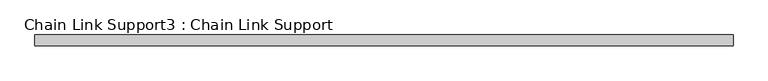
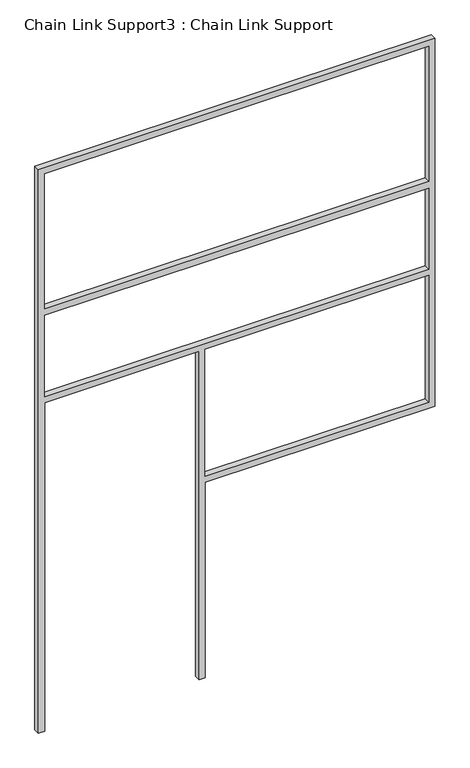
"""IFC4 building model written with IfcOpenShell, lengths in millimetres: proxy geometry, Chain Link Support3 : Chain Link Support."""

from ifc_helpers import new_model, si_unit, frame, origin, place, context, project, spatial, polyline, outline, extrude, source, transform, mapped, element, save


def chain_link_support3_chain_link_support_39234f15(model_context):
    return source(origin(), model_context, "Body", "SweptSolid", [
        extrude(outline(polyline([(3657.6, -24439.9368371), (0.0, -24439.9368371), (0.0, -24401.8368371), (2133.6, -24401.8368371), (2133.6, -23452.5118371), (0.0, -23452.5118371), (0.0, -23414.4118371), (1270.0, -23414.4118371), (1270.0, -22001.5368371), (3657.6, -22001.5368371), (3657.6, -24439.9368371)]), holes=[polyline([(2743.2, -24401.8368371), (3619.5, -24401.8368371), (3619.5, -22039.6368371), (2743.2, -22039.6368371), (2743.2, -24401.8368371)]), polyline([(1308.1, -22039.6368371), (1308.1, -23414.4118371), (2133.6, -23414.4118371), (2133.6, -22039.6368371), (1308.1, -22039.6368371)]), polyline([(2171.7, -24401.8368371), (2698.75, -24401.8368371), (2698.75, -22039.6368371), (2171.7, -22039.6368371), (2171.7, -24401.8368371)])]), frame((0.0, 17069.4163978, 0.0), z_axis=(0.0, 1.0, 0.0), x_axis=(0.0, 0.0, 1.0)), (0.0, 0.0, 1.0), 38.1),
    ])


if __name__ == "__main__":
    model = new_model("IFC4")
    model_context = context("Model", 3, world=origin())
    ifc_project = project(units=[si_unit("LENGTHUNIT", "METRE", prefix="MILLI")], contexts=[model_context])
    site = spatial("IfcSite", under=ifc_project)
    building = spatial("IfcBuilding", under=site)
    placement = place(None, origin())
    chain_link_support3_chain_link_support_shape = chain_link_support3_chain_link_support_39234f15(model_context)
    element("IfcBuildingElementProxy", 1, Name="Chain Link Support3 : Chain Link Support", ObjectType="Chain Link Support3 : Chain Link Support", at=placement, inside=building, context=model_context, shape_type="MappedRepresentation", body=[
        mapped(chain_link_support3_chain_link_support_shape, transform((0.0, 0.0, 0.0), x_axis=(1.0, 0.0, 0.0), y_axis=(0.0, 1.0, 0.0), z_axis=(0.0, 0.0, 1.0))),
    ])
    save(model, "model.ifc")
